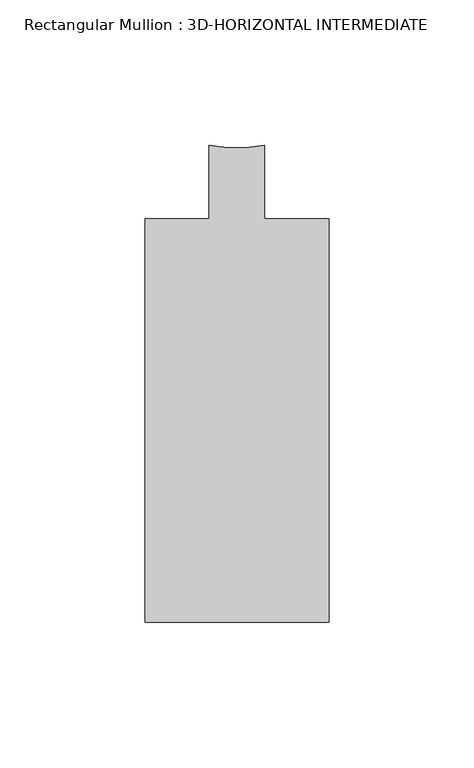
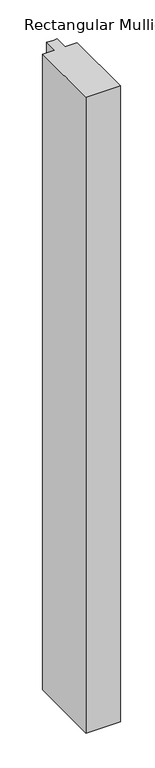
"""IFC4 building model written with IfcOpenShell, lengths in millimetres: member geometry, Rectangular Mullion : 3D-HORIZONTAL INTERMEDIATE."""

from ifc_helpers import new_model, si_unit, point, frame, frame_2d, origin, place, context, project, spatial, polyline, circle_curve, trimmed, segment, composite_curve, outline, extrude, source, transform, mapped, element, save


def rectangular_mullion_3d_horizontal_intermediate_5215bbe5(model_context):
    return source(origin(), model_context, "Body", "SweptSolid", [
        extrude(outline(composite_curve([segment(polyline([(-31.75, -27.8368125), (-9.5251132, -27.8368125), (-9.5251132, -2.4368125)]), True, "CONTINUOUS"), segment(trimmed(circle_curve(frame_2d((0.0, 38.2587718)), 41.7954347), [point((-9.5251132, -2.4368125))], [point((9.5251132, -2.4368125))], True, "CARTESIAN"), True, "CONTINUOUS"), segment(polyline([(9.5251132, -2.4368125), (9.5251132, -27.8368125), (31.75, -27.8368125), (31.75, -167.0288125), (-31.75, -167.0288125), (-31.75, -27.8368125)]), True, "CONTINUOUS")], self_intersect=False)), frame((0.0, 0.0, -1244.3455475), z_axis=(0.0, 0.0, 1.0), x_axis=(1.0, 0.0, 0.0)), (0.0, 0.0, 1.0), 1244.3455475),
    ])


if __name__ == "__main__":
    model = new_model("IFC4")
    model_context = context("Model", 3, world=origin())
    ifc_project = project(units=[si_unit("LENGTHUNIT", "METRE", prefix="MILLI")], contexts=[model_context])
    site = spatial("IfcSite", under=ifc_project)
    building = spatial("IfcBuilding", under=site)
    placement = place(None, origin())
    rectangular_mullion_3d_horizontal_intermediate_shape = rectangular_mullion_3d_horizontal_intermediate_5215bbe5(model_context)
    element("IfcMember", 1, ObjectType="Rectangular Mullion : 3D-HORIZONTAL INTERMEDIATE", at=placement, inside=building, context=model_context, shape_type="MappedRepresentation", body=[
        mapped(rectangular_mullion_3d_horizontal_intermediate_shape, transform((0.0, 0.0, 0.0), x_axis=(1.0, 0.0, 0.0), y_axis=(0.0, 1.0, 0.0), z_axis=(0.0, 0.0, 1.0))),
    ])
    save(model, "model.ifc")
